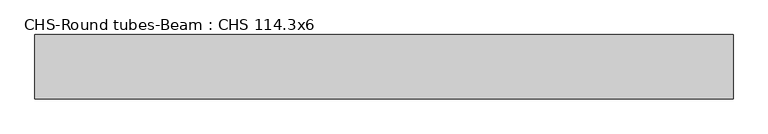
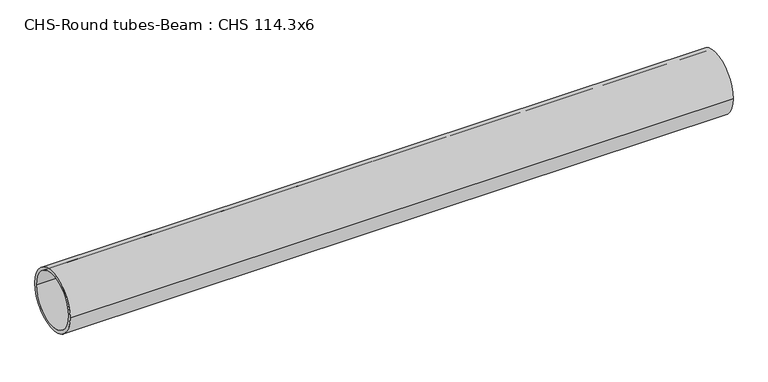
"""IFC4 building model written with IfcOpenShell, lengths in millimetres: beam geometry, CHS-Round tubes-Beam : CHS 114.3x6."""

from ifc_helpers import new_model, si_unit, point, frame, origin, origin_2d, place, context, project, spatial, circle_curve, trimmed, segment, composite_curve, outline, extrude, source, transform, mapped, element, save


def chs_round_tubes_beam_chs_114_3x6_089b0280(model_context):
    return source(origin(), model_context, "Body", "SweptSolid", [
        extrude(outline(composite_curve([segment(trimmed(circle_curve(origin_2d(), 57.15), [point((57.15, 0.0))], [point((-57.15, 0.0))], False, "CARTESIAN"), True, "CONTINUOUS"), segment(trimmed(circle_curve(origin_2d(), 57.15), [point((-57.15, 0.0))], [point((57.15, 0.0))], False, "CARTESIAN"), True, "CONTINUOUS")], self_intersect=False), holes=[composite_curve([segment(trimmed(circle_curve(origin_2d(), 51.15), [point((51.15, 0.0))], [point((-51.15, 0.0))], True, "CARTESIAN"), True, "CONTINUOUS"), segment(trimmed(circle_curve(origin_2d(), 51.15), [point((-51.15, 0.0))], [point((51.15, 0.0))], True, "CARTESIAN"), True, "CONTINUOUS")], self_intersect=False)]), frame((-621.0203168, 0.0, 0.0), z_axis=(1.0, 0.0, 0.0), x_axis=(0.0, 1.0, 0.0)), (0.0, 0.0, 1.0), 1242.0399966),
    ])


if __name__ == "__main__":
    model = new_model("IFC4")
    model_context = context("Model", 3, world=origin())
    ifc_project = project(units=[si_unit("LENGTHUNIT", "METRE", prefix="MILLI")], contexts=[model_context])
    site = spatial("IfcSite", under=ifc_project)
    building = spatial("IfcBuilding", under=site)
    placement = place(None, origin())
    chs_round_tubes_beam_chs_114_3x6_shape = chs_round_tubes_beam_chs_114_3x6_089b0280(model_context)
    element("IfcBeam", 1, ObjectType="CHS-Round tubes-Beam : CHS 114.3x6", at=placement, inside=building, context=model_context, shape_type="MappedRepresentation", body=[
        mapped(chs_round_tubes_beam_chs_114_3x6_shape, transform((0.0, 0.0, 0.0), x_axis=(1.0, 0.0, 0.0), y_axis=(0.0, 1.0, 0.0), z_axis=(0.0, 0.0, 1.0))),
    ])
    save(model, "model.ifc")
